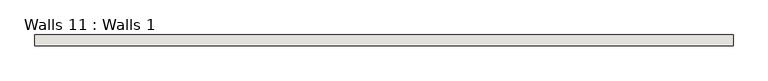
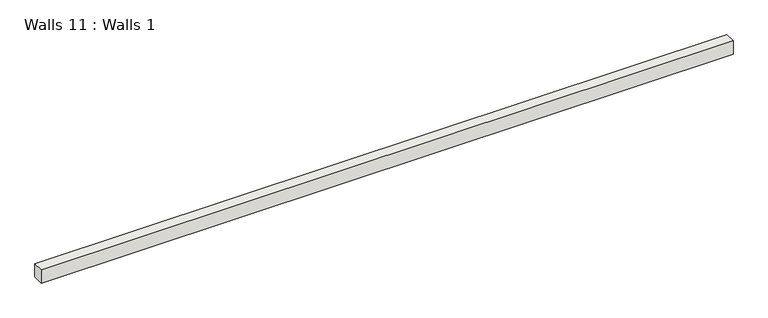
"""IFC4 building model written with IfcOpenShell, lengths in millimetres: wall geometry, Walls 11 : Walls 1."""

from ifc_helpers import new_model, si_unit, frame, origin, place, context, project, spatial, polyline, outline, extrude, source, transform, mapped, element, save


def walls_11_walls_1_d2078486(model_context):
    return source(origin(), model_context, "Body", "SweptSolid", [
        extrude(outline(polyline([(1879.6350462, 1501.2555363), (1879.6350462, 1539.3555363), (4368.8350462, 1539.3555363), (4368.8350462, 1501.2555363), (1879.6350462, 1501.2555363)])), frame((0.0, 0.0, 279.4568966), z_axis=(0.0, 0.0, 1.0), x_axis=(1.0, 0.0, 0.0)), (0.0, 0.0, 1.0), 50.8),
    ])


if __name__ == "__main__":
    model = new_model("IFC4")
    model_context = context("Model", 3, world=origin())
    ifc_project = project(units=[si_unit("LENGTHUNIT", "METRE", prefix="MILLI")], contexts=[model_context])
    site = spatial("IfcSite", under=ifc_project)
    building = spatial("IfcBuilding", under=site)
    placement = place(None, origin())
    walls_11_walls_1_shape = walls_11_walls_1_d2078486(model_context)
    element("IfcWall", 1, ObjectType="Walls 11 : Walls 1", at=placement, inside=building, context=model_context, shape_type="MappedRepresentation", body=[
        mapped(walls_11_walls_1_shape, transform((0.0, 0.0, 0.0), x_axis=(1.0, 0.0, 0.0), y_axis=(0.0, 1.0, 0.0), z_axis=(0.0, 0.0, 1.0))),
    ])
    save(model, "model.ifc")
